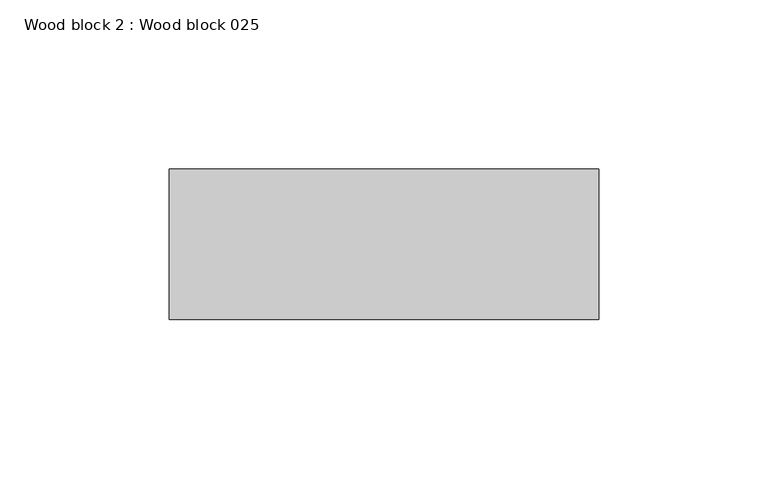
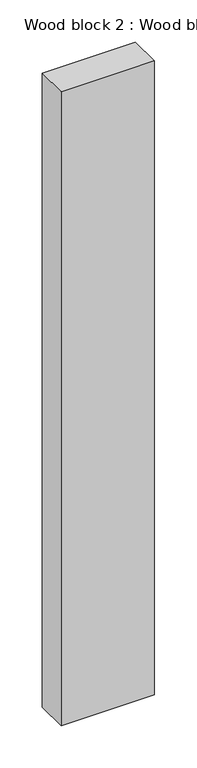
"""IFC4 building model written with IfcOpenShell, lengths in millimetres: proxy geometry, Wood block 2 : Wood block 025."""

from ifc_helpers import new_model, si_unit, frame, origin, place, context, project, spatial, polyline, outline, extrude, source, transform, mapped, element, save


def wood_block_2_wood_block_025_47b2dd39(model_context):
    return source(origin(), model_context, "Body", "SweptSolid", [
        extrude(outline(polyline([(37534.2991298, -21402.6709893), (37661.2991298, -21402.6709893), (37661.2991298, -21447.1209893), (37534.2991298, -21447.1209893), (37534.2991298, -21402.6709893)])), frame((0.0, 0.0, 1524.0), z_axis=(0.0, 0.0, 1.0), x_axis=(1.0, 0.0, 0.0)), (0.0, 0.0, 1.0), 914.4),
    ])


if __name__ == "__main__":
    model = new_model("IFC4")
    model_context = context("Model", 3, world=origin())
    ifc_project = project(units=[si_unit("LENGTHUNIT", "METRE", prefix="MILLI")], contexts=[model_context])
    site = spatial("IfcSite", under=ifc_project)
    building = spatial("IfcBuilding", under=site)
    placement = place(None, origin())
    wood_block_2_wood_block_025_shape = wood_block_2_wood_block_025_47b2dd39(model_context)
    element("IfcBuildingElementProxy", 1, Name="Wood block 2 : Wood block 025", ObjectType="Wood block 2 : Wood block 025", at=placement, inside=building, context=model_context, shape_type="MappedRepresentation", body=[
        mapped(wood_block_2_wood_block_025_shape, transform((0.0, 0.0, 0.0), x_axis=(1.0, 0.0, 0.0), y_axis=(0.0, 1.0, 0.0), z_axis=(0.0, 0.0, 1.0))),
    ])
    save(model, "model.ifc")
